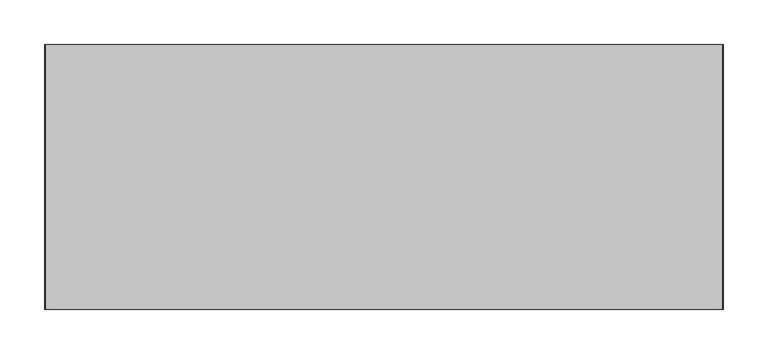
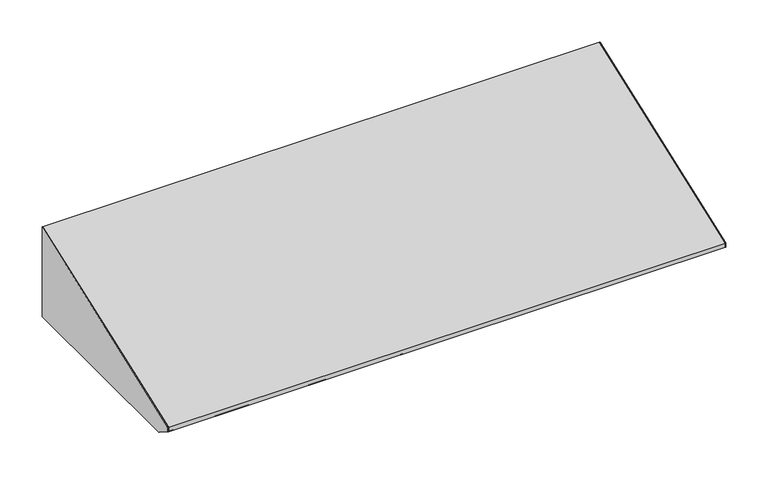
"""IFC4 building model written with IfcOpenShell, lengths in millimetres: furniture geometry."""

from ifc_helpers import new_model, si_unit, frame, origin, place, context, project, spatial, polyline, outline, extrude, source, transform, mapped, element, save


def furniture_ef19b956(model_context):
    return source(origin(), model_context, "Body", "SweptSolid", [
        extrude(outline(polyline([(-21.75256, 2250.2949351), (-21.75256, 2120.9), (-297.3953187, 2120.9), (-319.23736, 2134.7311416), (-319.23736, 2140.8533922), (-21.75256, 2250.2949351)])), frame((398.9439549, 0.0, 0.0), z_axis=(1.0, 0.0, 0.0), x_axis=(0.0, 1.0, 0.0)), (0.0, 0.0, 1.0), 0.79375),
        extrude(outline(polyline([(-21.75256, 2120.9), (-297.3953187, 2120.9), (-319.23736, 2134.7311416), (-319.23736, 2140.8533922), (-21.75256, 2250.2949351), (-21.75256, 2120.9)])), frame((-362.2622951, 0.0, 0.0), z_axis=(1.0, 0.0, 0.0), x_axis=(0.0, 1.0, 0.0)), (0.0, 0.0, 1.0), 0.79375),
        extrude(outline(polyline([(380.688502, -284.6953187), (380.688502, -97.8702473), (398.9439549, -97.8702473), (398.9439549, -284.6953187), (380.688502, -284.6953187)])), frame((0.0, 0.0, 2120.9), z_axis=(0.0, 0.0, 1.0), x_axis=(1.0, 0.0, 0.0)), (0.0, 0.0, 1.0), 0.79375),
        extrude(outline(polyline([(-21.75256, 2120.9), (-97.5295544, 2120.9), (-97.5295544, 2121.69375), (-22.54631, 2121.69375), (-22.54631, 2235.7852789), (-21.75256, 2235.7852789), (-21.75256, 2120.9)])), frame((388.3081836, 0.0, 0.0), z_axis=(1.0, 0.0, 0.0), x_axis=(0.0, 1.0, 0.0)), (0.0, 0.0, 1.0), 10.6357713),
        extrude(outline(polyline([(-21.75256, 2120.9), (-97.5295544, 2120.9), (-97.5295544, 2121.69375), (-22.54631, 2121.69375), (-22.54631, 2235.7852789), (-21.75256, 2235.7852789), (-21.75256, 2120.9)])), frame((-361.4685451, 0.0, 0.0), z_axis=(1.0, 0.0, 0.0), x_axis=(0.0, 1.0, 0.0)), (0.0, 0.0, 1.0), 10.6357713),
        extrude(outline(polyline([(-361.4685451, -284.6953187), (-361.4685451, -97.8702473), (-343.2130922, -97.8702473), (-343.2130922, -284.6953187), (-361.4685451, -284.6953187)])), frame((0.0, 0.0, 2120.9), z_axis=(0.0, 0.0, 1.0), x_axis=(1.0, 0.0, 0.0)), (0.0, 0.0, 1.0), 0.79375),
        extrude(outline(polyline([(-319.23736, 2140.8533922), (-21.75256, 2250.2949351), (-21.75256, 2235.7852789), (-22.54631, 2235.7852789), (-22.54631, 2249.1586809), (-318.44361, 2140.2989044), (-318.44361, 2135.1680199), (-221.2358067, 2121.69375), (-284.6953187, 2121.69375), (-284.6953187, 2120.9), (-297.3953187, 2120.9), (-319.23736, 2134.7311416), (-319.23736, 2140.8533922)])), frame((-361.4685451, 0.0, 0.0), z_axis=(1.0, 0.0, 0.0), x_axis=(0.0, 1.0, 0.0)), (0.0, 0.0, 1.0), 760.4125),
    ])


if __name__ == "__main__":
    model = new_model("IFC4")
    model_context = context("Model", 3, world=origin())
    ifc_project = project(units=[si_unit("LENGTHUNIT", "METRE", prefix="MILLI")], contexts=[model_context])
    site = spatial("IfcSite", under=ifc_project)
    building = spatial("IfcBuilding", under=site)
    placement = place(None, origin())
    furniture_shape = furniture_ef19b956(model_context)
    element("IfcFurniture", 1, at=placement, inside=building, context=model_context, shape_type="MappedRepresentation", body=[
        mapped(furniture_shape, transform((0.0, 0.0, 0.0), x_axis=(1.0, 0.0, 0.0), y_axis=(0.0, 1.0, 0.0), z_axis=(0.0, 0.0, 1.0))),
    ])
    save(model, "model.ifc")
